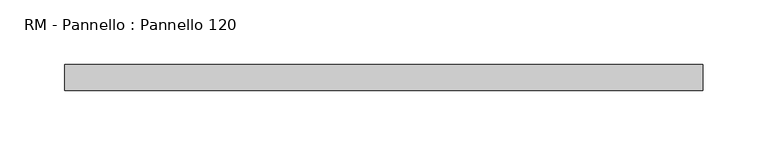
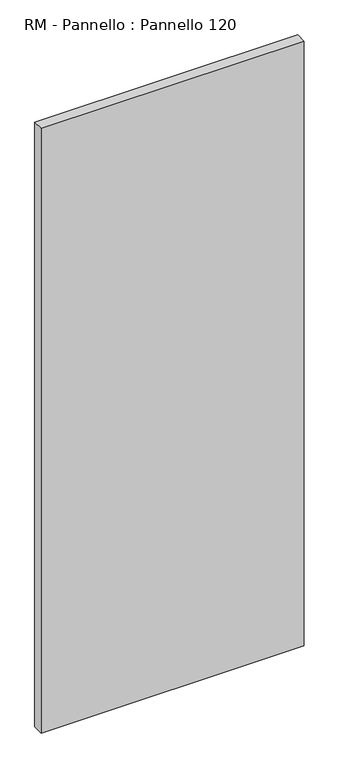
"""IFC4 building model written with IfcOpenShell, lengths in millimetres: plate geometry, RM - Pannello : Pannello 120."""

from ifc_helpers import new_model, si_unit, origin, origin_with_axes, place, context, project, spatial, polyline, outline, extrude, source, transform, mapped, element, save


def rm_pannello_pannello_120_76023e6b(model_context):
    return source(origin(), model_context, "Body", "SweptSolid", [
        extrude(outline(polyline([(247.0, 200.0), (247.0, 180.0), (-247.0, 180.0), (-247.0, 200.0), (247.0, 200.0)])), origin_with_axes(), (0.0, 0.0, 1.0), 1200.0),
    ])


if __name__ == "__main__":
    model = new_model("IFC4")
    model_context = context("Model", 3, world=origin())
    ifc_project = project(units=[si_unit("LENGTHUNIT", "METRE", prefix="MILLI")], contexts=[model_context])
    site = spatial("IfcSite", under=ifc_project)
    building = spatial("IfcBuilding", under=site)
    placement = place(None, origin())
    rm_pannello_pannello_120_shape = rm_pannello_pannello_120_76023e6b(model_context)
    element("IfcPlate", 1, ObjectType="RM - Pannello : Pannello 120", at=placement, inside=building, context=model_context, shape_type="MappedRepresentation", body=[
        mapped(rm_pannello_pannello_120_shape, transform((0.0, 0.0, 0.0), x_axis=(1.0, 0.0, 0.0), y_axis=(0.0, 1.0, 0.0), z_axis=(0.0, 0.0, 1.0))),
    ])
    save(model, "model.ifc")
